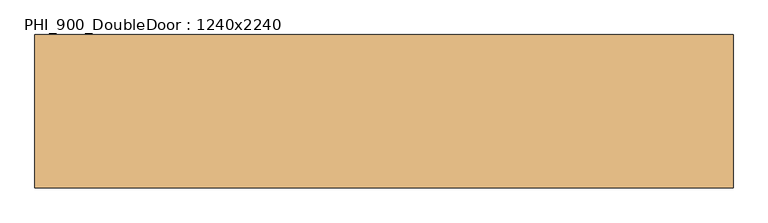
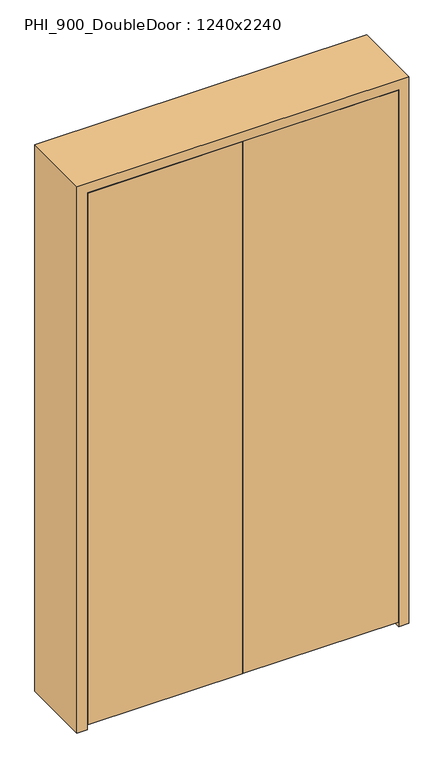
"""IFC4 building model written with IfcOpenShell, lengths in millimetres: door geometry, PHI_900_DoubleDoor : 1240x2240."""

from ifc_helpers import new_model, si_unit, frame, origin, place, context, project, spatial, polyline, outline, extrude, source, transform, mapped, element, save


def phi_900_doubledoor_1240x2240_112cb39e(model_context):
    return source(origin(), model_context, "Body", "SweptSolid", [
        extrude(outline(polyline([(2.0, -145.0), (2.0, -95.0), (618.0, -95.0), (618.0, -145.0), (2.0, -145.0)])), frame((0.0, 0.0, 20.0), z_axis=(0.0, 0.0, 1.0), x_axis=(1.0, 0.0, 0.0)), (0.0, 0.0, 1.0), 2238.0),
        extrude(outline(polyline([(-2.0, -145.0), (-618.0, -145.0), (-618.0, -95.0), (-2.0, -95.0), (-2.0, -145.0)])), frame((0.0, 0.0, 20.0), z_axis=(0.0, 0.0, 1.0), x_axis=(1.0, 0.0, 0.0)), (0.0, 0.0, 1.0), 2238.0),
        extrude(outline(polyline([(2300.0, -660.0), (0.0, -660.0), (0.0, -620.0), (2260.0, -620.0), (2260.0, 620.0), (0.0, 620.0), (0.0, 660.0), (2300.0, 660.0), (2300.0, -660.0)])), frame((0.0, -145.0, 0.0), z_axis=(0.0, 1.0, 0.0), x_axis=(0.0, 0.0, 1.0)), (0.0, 0.0, 1.0), 290.0),
        extrude(outline(polyline([(2260.0, -620.0), (0.0, -620.0), (0.0, -600.0), (2240.0, -600.0), (2240.0, 600.0), (0.0, 600.0), (0.0, 620.0), (2260.0, 620.0), (2260.0, -620.0)])), frame((0.0, -95.0, 0.0), z_axis=(0.0, 1.0, 0.0), x_axis=(0.0, 0.0, 1.0)), (0.0, 0.0, 1.0), 95.0),
    ])


if __name__ == "__main__":
    model = new_model("IFC4")
    model_context = context("Model", 3, world=origin())
    ifc_project = project(units=[si_unit("LENGTHUNIT", "METRE", prefix="MILLI")], contexts=[model_context])
    site = spatial("IfcSite", under=ifc_project)
    building = spatial("IfcBuilding", under=site)
    placement = place(None, origin())
    phi_900_doubledoor_1240x2240_shape = phi_900_doubledoor_1240x2240_112cb39e(model_context)
    element("IfcDoor", 1, ObjectType="PHI_900_DoubleDoor : 1240x2240", at=placement, inside=building, context=model_context, shape_type="MappedRepresentation", body=[
        mapped(phi_900_doubledoor_1240x2240_shape, transform((0.0, 0.0, 0.0), x_axis=(1.0, 0.0, 0.0), y_axis=(0.0, 1.0, 0.0), z_axis=(0.0, 0.0, 1.0))),
    ])
    save(model, "model.ifc")
